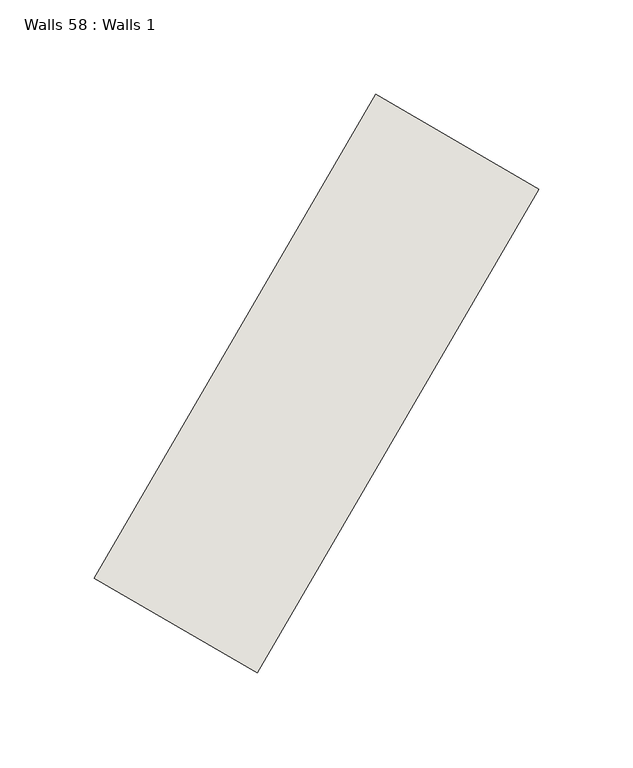
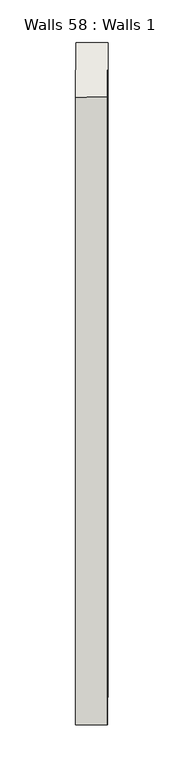
"""IFC4 building model written with IfcOpenShell, lengths in millimetres: wall geometry, Walls 58 : Walls 1."""

from ifc_helpers import new_model, si_unit, origin, origin_with_axes, place, context, project, spatial, polyline, outline, extrude, source, transform, mapped, element, save


def walls_58_walls_1_5d8304ce(model_context):
    return source(origin(), model_context, "Body", "SweptSolid", [
        extrude(outline(polyline([(8629.7121843, 525.2082311), (8778.8231598, 781.7503471), (8865.2799429, 731.4987336), (8716.1689674, 474.9566176), (8629.7121843, 525.2082311)])), origin_with_axes(), (0.0, 0.0, 1.0), 2394.9616802),
    ])


if __name__ == "__main__":
    model = new_model("IFC4")
    model_context = context("Model", 3, world=origin())
    ifc_project = project(units=[si_unit("LENGTHUNIT", "METRE", prefix="MILLI")], contexts=[model_context])
    site = spatial("IfcSite", under=ifc_project)
    building = spatial("IfcBuilding", under=site)
    placement = place(None, origin())
    walls_58_walls_1_shape = walls_58_walls_1_5d8304ce(model_context)
    element("IfcWall", 1, ObjectType="Walls 58 : Walls 1", at=placement, inside=building, context=model_context, shape_type="MappedRepresentation", body=[
        mapped(walls_58_walls_1_shape, transform((0.0, 0.0, 0.0), x_axis=(1.0, 0.0, 0.0), y_axis=(0.0, 1.0, 0.0), z_axis=(0.0, 0.0, 1.0))),
    ])
    save(model, "model.ifc")
